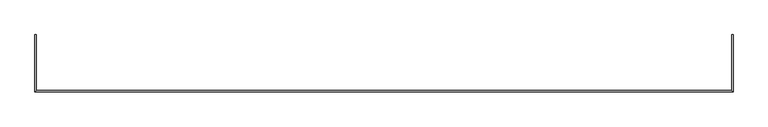
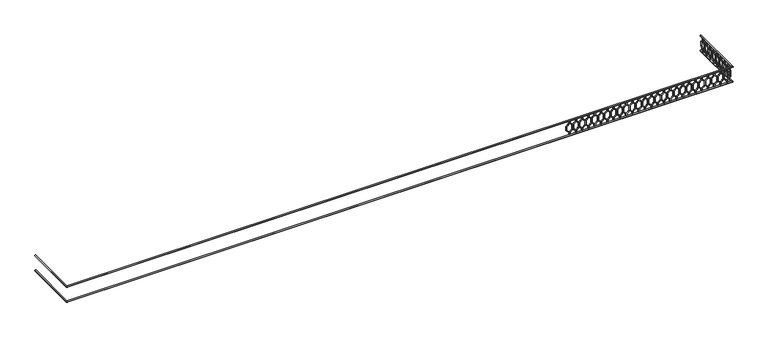
"""IFC4 building model written with IfcOpenShell, lengths in millimetres: railing geometry."""

from ifc_helpers import new_model, si_unit, frame, origin, place, context, project, spatial, polyline, circle_curve, ellipse_curve, outline, extrude, source, transform, mapped, element, save
from ifc_brep_helpers import plane_surface, cylinder_surface, advanced_brep


def railing_a289a73f(model_context):
    return source(origin(), model_context, "Body", "SolidModel", [
        advanced_brep(
        [(-41099.9887159, -15016.8920513, 28733.0), (-41139.9887159, -15016.8920513, 28733.0), (-41099.9887159, -16716.8920513, 28733.0), (-41139.9887159, -16756.8920513, 28733.0), (-19979.9887159, -16716.8920513, 28733.0), (-19939.9887159, -16756.8920513, 28733.0), (-19979.9887159, -15016.8920513, 28733.0), (-19939.9887159, -15016.8920513, 28733.0)],
        [
            (0, 1, circle_curve(frame((-41119.9887159, -15016.8920513, 28733.0), z_axis=(0.0, 1.0, 0.0), x_axis=(-1.0, 0.0, 0.0)), 20.0)),
            (1, 0, circle_curve(frame((-41119.9887159, -15016.8920513, 28733.0), z_axis=(0.0, 1.0, 0.0), x_axis=(-1.0, 0.0, 0.0)), 20.0)),
            (0, 2),
            (2, 3, ellipse_curve(frame((-41119.9887159, -16736.8920513, 28733.0), z_axis=(-0.7071067811865464, 0.7071067811865487, 0.0), x_axis=(0.7071067811865487, 0.7071067811865464, 0.0)), 28.2842712, 20.0)),
            (3, 1),
            (3, 2, ellipse_curve(frame((-41119.9887159, -16736.8920513, 28733.0), z_axis=(-0.7071067811865464, 0.7071067811865487, 0.0), x_axis=(0.7071067811865487, 0.7071067811865464, 0.0)), 28.2842712, 20.0)),
            (2, 4),
            (4, 5, ellipse_curve(frame((-19959.9887159, -16736.8920513, 28733.0), z_axis=(-0.7071067811865496, -0.7071067811865455, 0.0), x_axis=(-0.7071067811865455, 0.7071067811865496, 0.0)), 28.2842712, 20.0)),
            (5, 3),
            (5, 4, ellipse_curve(frame((-19959.9887159, -16736.8920513, 28733.0), z_axis=(-0.7071067811865496, -0.7071067811865455, 0.0), x_axis=(-0.7071067811865455, 0.7071067811865496, 0.0)), 28.2842712, 20.0)),
            (6, 7, circle_curve(frame((-19959.9887159, -15016.8920513, 28733.0), z_axis=(0.0, 1.0, 0.0), x_axis=(1.0, 0.0, 0.0)), 20.0)),
            (7, 6, circle_curve(frame((-19959.9887159, -15016.8920513, 28733.0), z_axis=(0.0, 1.0, 0.0), x_axis=(1.0, 0.0, 0.0)), 20.0)),
            (4, 6),
            (7, 5),
        ],
        [
            plane_surface(frame((-41119.9887159, -15016.8920513, 28753.0), z_axis=(0.0, 1.0, 0.0), x_axis=(0.0, 0.0, -1.0))),
            cylinder_surface(frame((-41119.9887159, -15016.8920513, 28733.0), z_axis=(0.0, 1.0, 0.0), x_axis=(-1.0, 0.0, 0.0)), 20.0),
            cylinder_surface(frame((-41119.9887159, -16736.8920513, 28733.0), z_axis=(-1.0, 0.0, 0.0), x_axis=(0.0, -1.0, 0.0)), 20.0),
            plane_surface(frame((-19959.9887159, -15016.8920513, 28753.0), z_axis=(0.0, 1.0, 0.0), x_axis=(0.0, 0.0, 1.0))),
            cylinder_surface(frame((-19959.9887159, -16736.8920513, 28733.0), z_axis=(0.0, -1.0, 0.0), x_axis=(1.0, 0.0, 0.0)), 20.0),
        ],
        [
            (0, [[1, 2]]),
            (1, [[-1, 3, 4, 5]]),
            (1, [[-2, -5, 6, -3]]),
            (2, [[-4, 7, 8, 9]]),
            (2, [[-6, -9, 10, -7]]),
            (3, [[11, 12]]),
            (4, [[-8, 13, -12, 14]]),
            (4, [[-10, -14, -11, -13]]),
        ],
    ),
        advanced_brep(
        [(-41099.9887159, -15016.8920513, 28233.0), (-41139.9887159, -15016.8920513, 28233.0), (-41099.9887159, -16716.8920513, 28233.0), (-41139.9887159, -16756.8920513, 28233.0), (-19979.9887159, -16716.8920513, 28233.0), (-19939.9887159, -16756.8920513, 28233.0), (-19979.9887159, -15016.8920513, 28233.0), (-19939.9887159, -15016.8920513, 28233.0)],
        [
            (0, 1, circle_curve(frame((-41119.9887159, -15016.8920513, 28233.0), z_axis=(0.0, 1.0, 0.0), x_axis=(-1.0, 0.0, 0.0)), 20.0)),
            (1, 0, circle_curve(frame((-41119.9887159, -15016.8920513, 28233.0), z_axis=(0.0, 1.0, 0.0), x_axis=(-1.0, 0.0, 0.0)), 20.0)),
            (0, 2),
            (2, 3, ellipse_curve(frame((-41119.9887159, -16736.8920513, 28233.0), z_axis=(-0.7071067811865464, 0.7071067811865487, 0.0), x_axis=(0.7071067811865487, 0.7071067811865464, 0.0)), 28.2842712, 20.0)),
            (3, 1),
            (3, 2, ellipse_curve(frame((-41119.9887159, -16736.8920513, 28233.0), z_axis=(-0.7071067811865464, 0.7071067811865487, 0.0), x_axis=(0.7071067811865487, 0.7071067811865464, 0.0)), 28.2842712, 20.0)),
            (2, 4),
            (4, 5, ellipse_curve(frame((-19959.9887159, -16736.8920513, 28233.0), z_axis=(-0.7071067811865496, -0.7071067811865455, 0.0), x_axis=(-0.7071067811865455, 0.7071067811865496, 0.0)), 28.2842712, 20.0)),
            (5, 3),
            (5, 4, ellipse_curve(frame((-19959.9887159, -16736.8920513, 28233.0), z_axis=(-0.7071067811865496, -0.7071067811865455, 0.0), x_axis=(-0.7071067811865455, 0.7071067811865496, 0.0)), 28.2842712, 20.0)),
            (6, 7, circle_curve(frame((-19959.9887159, -15016.8920513, 28233.0), z_axis=(0.0, 1.0, 0.0), x_axis=(1.0, 0.0, 0.0)), 20.0)),
            (7, 6, circle_curve(frame((-19959.9887159, -15016.8920513, 28233.0), z_axis=(0.0, 1.0, 0.0), x_axis=(1.0, 0.0, 0.0)), 20.0)),
            (4, 6),
            (7, 5),
        ],
        [
            plane_surface(frame((-41119.9887159, -15016.8920513, 28253.0), z_axis=(0.0, 1.0, 0.0), x_axis=(0.0, 0.0, -1.0))),
            cylinder_surface(frame((-41119.9887159, -15016.8920513, 28233.0), z_axis=(0.0, 1.0, 0.0), x_axis=(-1.0, 0.0, 0.0)), 20.0),
            cylinder_surface(frame((-41119.9887159, -16736.8920513, 28233.0), z_axis=(-1.0, 0.0, 0.0), x_axis=(0.0, -1.0, 0.0)), 20.0),
            plane_surface(frame((-19959.9887159, -15016.8920513, 28253.0), z_axis=(0.0, 1.0, 0.0), x_axis=(0.0, 0.0, 1.0))),
            cylinder_surface(frame((-19959.9887159, -16736.8920513, 28233.0), z_axis=(0.0, -1.0, 0.0), x_axis=(1.0, 0.0, 0.0)), 20.0),
        ],
        [
            (0, [[1, 2]]),
            (1, [[-1, 3, 4, 5]]),
            (1, [[-2, -5, 6, -3]]),
            (2, [[-4, 7, 8, 9]]),
            (2, [[-6, -9, 10, -7]]),
            (3, [[11, 12]]),
            (4, [[-8, 13, -12, 14]]),
            (4, [[-10, -14, -11, -13]]),
        ],
    ),
        extrude(outline(polyline([(-15141.8920513, 28713.0), (-15121.8920513, 28713.0), (-15121.8920513, 28633.0), (-15022.897102, 28553.0), (-15022.897102, 28413.0), (-15121.8920513, 28333.0), (-15121.8920513, 28253.0), (-15141.8920513, 28253.0), (-15141.8920513, 28342.551845), (-15042.897102, 28422.551845), (-15042.897102, 28543.448155), (-15141.8920513, 28623.448155), (-15141.8920513, 28713.0)])), frame((-19974.9887159, 0.0, 0.0), z_axis=(1.0, 0.0, 0.0), x_axis=(0.0, 1.0, 0.0)), (0.0, 0.0, 1.0), 20.0),
        extrude(outline(polyline([(-15141.8920513, 28713.0), (-15141.8920513, 28623.448155), (-15240.8870007, 28543.448155), (-15240.8870007, 28422.551845), (-15141.8920513, 28342.551845), (-15141.8920513, 28253.0), (-15161.8920513, 28253.0), (-15161.8920513, 28333.0), (-15260.8870007, 28413.0), (-15260.8870007, 28553.0), (-15161.8920513, 28633.0), (-15161.8920513, 28713.0), (-15141.8920513, 28713.0)])), frame((-19974.9887159, 0.0, 0.0), z_axis=(1.0, 0.0, 0.0), x_axis=(0.0, 1.0, 0.0)), (0.0, 0.0, 1.0), 20.0),
        extrude(outline(polyline([(-15341.8920513, 28713.0), (-15321.8920513, 28713.0), (-15321.8920513, 28633.0), (-15222.897102, 28553.0), (-15222.897102, 28413.0), (-15321.8920513, 28333.0), (-15321.8920513, 28253.0), (-15341.8920513, 28253.0), (-15341.8920513, 28342.551845), (-15242.897102, 28422.551845), (-15242.897102, 28543.448155), (-15341.8920513, 28623.448155), (-15341.8920513, 28713.0)])), frame((-19974.9887159, 0.0, 0.0), z_axis=(1.0, 0.0, 0.0), x_axis=(0.0, 1.0, 0.0)), (0.0, 0.0, 1.0), 20.0),
        extrude(outline(polyline([(-15341.8920513, 28713.0), (-15341.8920513, 28623.448155), (-15440.8870007, 28543.448155), (-15440.8870007, 28422.551845), (-15341.8920513, 28342.551845), (-15341.8920513, 28253.0), (-15361.8920513, 28253.0), (-15361.8920513, 28333.0), (-15460.8870007, 28413.0), (-15460.8870007, 28553.0), (-15361.8920513, 28633.0), (-15361.8920513, 28713.0), (-15341.8920513, 28713.0)])), frame((-19974.9887159, 0.0, 0.0), z_axis=(1.0, 0.0, 0.0), x_axis=(0.0, 1.0, 0.0)), (0.0, 0.0, 1.0), 20.0),
        extrude(outline(polyline([(-15541.8920513, 28713.0), (-15521.8920513, 28713.0), (-15521.8920513, 28633.0), (-15422.897102, 28553.0), (-15422.897102, 28413.0), (-15521.8920513, 28333.0), (-15521.8920513, 28253.0), (-15541.8920513, 28253.0), (-15541.8920513, 28342.551845), (-15442.897102, 28422.551845), (-15442.897102, 28543.448155), (-15541.8920513, 28623.448155), (-15541.8920513, 28713.0)])), frame((-19974.9887159, 0.0, 0.0), z_axis=(1.0, 0.0, 0.0), x_axis=(0.0, 1.0, 0.0)), (0.0, 0.0, 1.0), 20.0),
        extrude(outline(polyline([(-15541.8920513, 28713.0), (-15541.8920513, 28623.448155), (-15640.8870007, 28543.448155), (-15640.8870007, 28422.551845), (-15541.8920513, 28342.551845), (-15541.8920513, 28253.0), (-15561.8920513, 28253.0), (-15561.8920513, 28333.0), (-15660.8870007, 28413.0), (-15660.8870007, 28553.0), (-15561.8920513, 28633.0), (-15561.8920513, 28713.0), (-15541.8920513, 28713.0)])), frame((-19974.9887159, 0.0, 0.0), z_axis=(1.0, 0.0, 0.0), x_axis=(0.0, 1.0, 0.0)), (0.0, 0.0, 1.0), 20.0),
        extrude(outline(polyline([(-15741.8920513, 28713.0), (-15721.8920513, 28713.0), (-15721.8920513, 28633.0), (-15622.897102, 28553.0), (-15622.897102, 28413.0), (-15721.8920513, 28333.0), (-15721.8920513, 28253.0), (-15741.8920513, 28253.0), (-15741.8920513, 28342.551845), (-15642.897102, 28422.551845), (-15642.897102, 28543.448155), (-15741.8920513, 28623.448155), (-15741.8920513, 28713.0)])), frame((-19974.9887159, 0.0, 0.0), z_axis=(1.0, 0.0, 0.0), x_axis=(0.0, 1.0, 0.0)), (0.0, 0.0, 1.0), 20.0),
        extrude(outline(polyline([(-15741.8920513, 28713.0), (-15741.8920513, 28623.448155), (-15840.8870007, 28543.448155), (-15840.8870007, 28422.551845), (-15741.8920513, 28342.551845), (-15741.8920513, 28253.0), (-15761.8920513, 28253.0), (-15761.8920513, 28333.0), (-15860.8870007, 28413.0), (-15860.8870007, 28553.0), (-15761.8920513, 28633.0), (-15761.8920513, 28713.0), (-15741.8920513, 28713.0)])), frame((-19974.9887159, 0.0, 0.0), z_axis=(1.0, 0.0, 0.0), x_axis=(0.0, 1.0, 0.0)), (0.0, 0.0, 1.0), 20.0),
        extrude(outline(polyline([(-15941.8920513, 28713.0), (-15921.8920513, 28713.0), (-15921.8920513, 28633.0), (-15822.897102, 28553.0), (-15822.897102, 28413.0), (-15921.8920513, 28333.0), (-15921.8920513, 28253.0), (-15941.8920513, 28253.0), (-15941.8920513, 28342.551845), (-15842.897102, 28422.551845), (-15842.897102, 28543.448155), (-15941.8920513, 28623.448155), (-15941.8920513, 28713.0)])), frame((-19974.9887159, 0.0, 0.0), z_axis=(1.0, 0.0, 0.0), x_axis=(0.0, 1.0, 0.0)), (0.0, 0.0, 1.0), 20.0),
        extrude(outline(polyline([(-15941.8920513, 28713.0), (-15941.8920513, 28623.448155), (-16040.8870007, 28543.448155), (-16040.8870007, 28422.551845), (-15941.8920513, 28342.551845), (-15941.8920513, 28253.0), (-15961.8920513, 28253.0), (-15961.8920513, 28333.0), (-16060.8870007, 28413.0), (-16060.8870007, 28553.0), (-15961.8920513, 28633.0), (-15961.8920513, 28713.0), (-15941.8920513, 28713.0)])), frame((-19974.9887159, 0.0, 0.0), z_axis=(1.0, 0.0, 0.0), x_axis=(0.0, 1.0, 0.0)), (0.0, 0.0, 1.0), 20.0),
        extrude(outline(polyline([(-16141.8920513, 28713.0), (-16121.8920513, 28713.0), (-16121.8920513, 28633.0), (-16022.897102, 28553.0), (-16022.897102, 28413.0), (-16121.8920513, 28333.0), (-16121.8920513, 28253.0), (-16141.8920513, 28253.0), (-16141.8920513, 28342.551845), (-16042.897102, 28422.551845), (-16042.897102, 28543.448155), (-16141.8920513, 28623.448155), (-16141.8920513, 28713.0)])), frame((-19974.9887159, 0.0, 0.0), z_axis=(1.0, 0.0, 0.0), x_axis=(0.0, 1.0, 0.0)), (0.0, 0.0, 1.0), 20.0),
        extrude(outline(polyline([(-16141.8920513, 28713.0), (-16141.8920513, 28623.448155), (-16240.8870007, 28543.448155), (-16240.8870007, 28422.551845), (-16141.8920513, 28342.551845), (-16141.8920513, 28253.0), (-16161.8920513, 28253.0), (-16161.8920513, 28333.0), (-16260.8870007, 28413.0), (-16260.8870007, 28553.0), (-16161.8920513, 28633.0), (-16161.8920513, 28713.0), (-16141.8920513, 28713.0)])), frame((-19974.9887159, 0.0, 0.0), z_axis=(1.0, 0.0, 0.0), x_axis=(0.0, 1.0, 0.0)), (0.0, 0.0, 1.0), 20.0),
        extrude(outline(polyline([(-16341.8920513, 28713.0), (-16321.8920513, 28713.0), (-16321.8920513, 28633.0), (-16222.897102, 28553.0), (-16222.897102, 28413.0), (-16321.8920513, 28333.0), (-16321.8920513, 28253.0), (-16341.8920513, 28253.0), (-16341.8920513, 28342.551845), (-16242.897102, 28422.551845), (-16242.897102, 28543.448155), (-16341.8920513, 28623.448155), (-16341.8920513, 28713.0)])), frame((-19974.9887159, 0.0, 0.0), z_axis=(1.0, 0.0, 0.0), x_axis=(0.0, 1.0, 0.0)), (0.0, 0.0, 1.0), 20.0),
        extrude(outline(polyline([(-16341.8920513, 28713.0), (-16341.8920513, 28623.448155), (-16440.8870007, 28543.448155), (-16440.8870007, 28422.551845), (-16341.8920513, 28342.551845), (-16341.8920513, 28253.0), (-16361.8920513, 28253.0), (-16361.8920513, 28333.0), (-16460.8870007, 28413.0), (-16460.8870007, 28553.0), (-16361.8920513, 28633.0), (-16361.8920513, 28713.0), (-16341.8920513, 28713.0)])), frame((-19974.9887159, 0.0, 0.0), z_axis=(1.0, 0.0, 0.0), x_axis=(0.0, 1.0, 0.0)), (0.0, 0.0, 1.0), 20.0),
        extrude(outline(polyline([(-16541.8920513, 28713.0), (-16521.8920513, 28713.0), (-16521.8920513, 28633.0), (-16422.897102, 28553.0), (-16422.897102, 28413.0), (-16521.8920513, 28333.0), (-16521.8920513, 28253.0), (-16541.8920513, 28253.0), (-16541.8920513, 28342.551845), (-16442.897102, 28422.551845), (-16442.897102, 28543.448155), (-16541.8920513, 28623.448155), (-16541.8920513, 28713.0)])), frame((-19974.9887159, 0.0, 0.0), z_axis=(1.0, 0.0, 0.0), x_axis=(0.0, 1.0, 0.0)), (0.0, 0.0, 1.0), 20.0),
        extrude(outline(polyline([(-16541.8920513, 28713.0), (-16541.8920513, 28623.448155), (-16640.8870007, 28543.448155), (-16640.8870007, 28422.551845), (-16541.8920513, 28342.551845), (-16541.8920513, 28253.0), (-16561.8920513, 28253.0), (-16561.8920513, 28333.0), (-16660.8870007, 28413.0), (-16660.8870007, 28553.0), (-16561.8920513, 28633.0), (-16561.8920513, 28713.0), (-16541.8920513, 28713.0)])), frame((-19974.9887159, 0.0, 0.0), z_axis=(1.0, 0.0, 0.0), x_axis=(0.0, 1.0, 0.0)), (0.0, 0.0, 1.0), 20.0),
        extrude(outline(polyline([(28713.0, -20124.9887159), (28623.448155, -20124.9887159), (28543.448155, -20025.9937665), (28422.551845, -20025.9937665), (28342.551845, -20124.9887159), (28253.0, -20124.9887159), (28253.0, -20104.9887159), (28333.0, -20104.9887159), (28413.0, -20005.9937665), (28553.0, -20005.9937665), (28633.0, -20104.9887159), (28713.0, -20104.9887159), (28713.0, -20124.9887159)])), frame((0.0, -16741.8920513, 0.0), z_axis=(0.0, 1.0, 0.0), x_axis=(0.0, 0.0, 1.0)), (0.0, 0.0, 1.0), 20.0),
        extrude(outline(polyline([(28713.0, -20124.9887159), (28713.0, -20144.9887159), (28633.0, -20144.9887159), (28553.0, -20243.9836653), (28413.0, -20243.9836653), (28333.0, -20144.9887159), (28253.0, -20144.9887159), (28253.0, -20124.9887159), (28342.551845, -20124.9887159), (28422.551845, -20223.9836653), (28543.448155, -20223.9836653), (28623.448155, -20124.9887159), (28713.0, -20124.9887159)])), frame((0.0, -16741.8920513, 0.0), z_axis=(0.0, 1.0, 0.0), x_axis=(0.0, 0.0, 1.0)), (0.0, 0.0, 1.0), 20.0),
        extrude(outline(polyline([(28713.0, -20324.9887159), (28623.448155, -20324.9887159), (28543.448155, -20225.9937665), (28422.551845, -20225.9937665), (28342.551845, -20324.9887159), (28253.0, -20324.9887159), (28253.0, -20304.9887159), (28333.0, -20304.9887159), (28413.0, -20205.9937665), (28553.0, -20205.9937665), (28633.0, -20304.9887159), (28713.0, -20304.9887159), (28713.0, -20324.9887159)])), frame((0.0, -16741.8920513, 0.0), z_axis=(0.0, 1.0, 0.0), x_axis=(0.0, 0.0, 1.0)), (0.0, 0.0, 1.0), 20.0),
        extrude(outline(polyline([(28713.0, -20324.9887159), (28713.0, -20344.9887159), (28633.0, -20344.9887159), (28553.0, -20443.9836653), (28413.0, -20443.9836653), (28333.0, -20344.9887159), (28253.0, -20344.9887159), (28253.0, -20324.9887159), (28342.551845, -20324.9887159), (28422.551845, -20423.9836653), (28543.448155, -20423.9836653), (28623.448155, -20324.9887159), (28713.0, -20324.9887159)])), frame((0.0, -16741.8920513, 0.0), z_axis=(0.0, 1.0, 0.0), x_axis=(0.0, 0.0, 1.0)), (0.0, 0.0, 1.0), 20.0),
        extrude(outline(polyline([(28713.0, -20524.9887159), (28623.448155, -20524.9887159), (28543.448155, -20425.9937665), (28422.551845, -20425.9937665), (28342.551845, -20524.9887159), (28253.0, -20524.9887159), (28253.0, -20504.9887159), (28333.0, -20504.9887159), (28413.0, -20405.9937665), (28553.0, -20405.9937665), (28633.0, -20504.9887159), (28713.0, -20504.9887159), (28713.0, -20524.9887159)])), frame((0.0, -16741.8920513, 0.0), z_axis=(0.0, 1.0, 0.0), x_axis=(0.0, 0.0, 1.0)), (0.0, 0.0, 1.0), 20.0),
        extrude(outline(polyline([(28713.0, -20524.9887159), (28713.0, -20544.9887159), (28633.0, -20544.9887159), (28553.0, -20643.9836653), (28413.0, -20643.9836653), (28333.0, -20544.9887159), (28253.0, -20544.9887159), (28253.0, -20524.9887159), (28342.551845, -20524.9887159), (28422.551845, -20623.9836653), (28543.448155, -20623.9836653), (28623.448155, -20524.9887159), (28713.0, -20524.9887159)])), frame((0.0, -16741.8920513, 0.0), z_axis=(0.0, 1.0, 0.0), x_axis=(0.0, 0.0, 1.0)), (0.0, 0.0, 1.0), 20.0),
        extrude(outline(polyline([(28713.0, -20724.9887159), (28623.448155, -20724.9887159), (28543.448155, -20625.9937665), (28422.551845, -20625.9937665), (28342.551845, -20724.9887159), (28253.0, -20724.9887159), (28253.0, -20704.9887159), (28333.0, -20704.9887159), (28413.0, -20605.9937665), (28553.0, -20605.9937665), (28633.0, -20704.9887159), (28713.0, -20704.9887159), (28713.0, -20724.9887159)])), frame((0.0, -16741.8920513, 0.0), z_axis=(0.0, 1.0, 0.0), x_axis=(0.0, 0.0, 1.0)), (0.0, 0.0, 1.0), 20.0),
        extrude(outline(polyline([(28713.0, -20724.9887159), (28713.0, -20744.9887159), (28633.0, -20744.9887159), (28553.0, -20843.9836653), (28413.0, -20843.9836653), (28333.0, -20744.9887159), (28253.0, -20744.9887159), (28253.0, -20724.9887159), (28342.551845, -20724.9887159), (28422.551845, -20823.9836653), (28543.448155, -20823.9836653), (28623.448155, -20724.9887159), (28713.0, -20724.9887159)])), frame((0.0, -16741.8920513, 0.0), z_axis=(0.0, 1.0, 0.0), x_axis=(0.0, 0.0, 1.0)), (0.0, 0.0, 1.0), 20.0),
        extrude(outline(polyline([(28713.0, -20924.9887159), (28623.448155, -20924.9887159), (28543.448155, -20825.9937665), (28422.551845, -20825.9937665), (28342.551845, -20924.9887159), (28253.0, -20924.9887159), (28253.0, -20904.9887159), (28333.0, -20904.9887159), (28413.0, -20805.9937665), (28553.0, -20805.9937665), (28633.0, -20904.9887159), (28713.0, -20904.9887159), (28713.0, -20924.9887159)])), frame((0.0, -16741.8920513, 0.0), z_axis=(0.0, 1.0, 0.0), x_axis=(0.0, 0.0, 1.0)), (0.0, 0.0, 1.0), 20.0),
        extrude(outline(polyline([(28713.0, -20924.9887159), (28713.0, -20944.9887159), (28633.0, -20944.9887159), (28553.0, -21043.9836653), (28413.0, -21043.9836653), (28333.0, -20944.9887159), (28253.0, -20944.9887159), (28253.0, -20924.9887159), (28342.551845, -20924.9887159), (28422.551845, -21023.9836653), (28543.448155, -21023.9836653), (28623.448155, -20924.9887159), (28713.0, -20924.9887159)])), frame((0.0, -16741.8920513, 0.0), z_axis=(0.0, 1.0, 0.0), x_axis=(0.0, 0.0, 1.0)), (0.0, 0.0, 1.0), 20.0),
        extrude(outline(polyline([(28713.0, -21124.9887159), (28623.448155, -21124.9887159), (28543.448155, -21025.9937665), (28422.551845, -21025.9937665), (28342.551845, -21124.9887159), (28253.0, -21124.9887159), (28253.0, -21104.9887159), (28333.0, -21104.9887159), (28413.0, -21005.9937665), (28553.0, -21005.9937665), (28633.0, -21104.9887159), (28713.0, -21104.9887159), (28713.0, -21124.9887159)])), frame((0.0, -16741.8920513, 0.0), z_axis=(0.0, 1.0, 0.0), x_axis=(0.0, 0.0, 1.0)), (0.0, 0.0, 1.0), 20.0),
        extrude(outline(polyline([(28713.0, -21124.9887159), (28713.0, -21144.9887159), (28633.0, -21144.9887159), (28553.0, -21243.9836653), (28413.0, -21243.9836653), (28333.0, -21144.9887159), (28253.0, -21144.9887159), (28253.0, -21124.9887159), (28342.551845, -21124.9887159), (28422.551845, -21223.9836653), (28543.448155, -21223.9836653), (28623.448155, -21124.9887159), (28713.0, -21124.9887159)])), frame((0.0, -16741.8920513, 0.0), z_axis=(0.0, 1.0, 0.0), x_axis=(0.0, 0.0, 1.0)), (0.0, 0.0, 1.0), 20.0),
        extrude(outline(polyline([(28713.0, -21324.9887159), (28623.448155, -21324.9887159), (28543.448155, -21225.9937665), (28422.551845, -21225.9937665), (28342.551845, -21324.9887159), (28253.0, -21324.9887159), (28253.0, -21304.9887159), (28333.0, -21304.9887159), (28413.0, -21205.9937665), (28553.0, -21205.9937665), (28633.0, -21304.9887159), (28713.0, -21304.9887159), (28713.0, -21324.9887159)])), frame((0.0, -16741.8920513, 0.0), z_axis=(0.0, 1.0, 0.0), x_axis=(0.0, 0.0, 1.0)), (0.0, 0.0, 1.0), 20.0),
        extrude(outline(polyline([(28713.0, -21324.9887159), (28713.0, -21344.9887159), (28633.0, -21344.9887159), (28553.0, -21443.9836653), (28413.0, -21443.9836653), (28333.0, -21344.9887159), (28253.0, -21344.9887159), (28253.0, -21324.9887159), (28342.551845, -21324.9887159), (28422.551845, -21423.9836653), (28543.448155, -21423.9836653), (28623.448155, -21324.9887159), (28713.0, -21324.9887159)])), frame((0.0, -16741.8920513, 0.0), z_axis=(0.0, 1.0, 0.0), x_axis=(0.0, 0.0, 1.0)), (0.0, 0.0, 1.0), 20.0),
        extrude(outline(polyline([(28713.0, -21524.9887159), (28623.448155, -21524.9887159), (28543.448155, -21425.9937665), (28422.551845, -21425.9937665), (28342.551845, -21524.9887159), (28253.0, -21524.9887159), (28253.0, -21504.9887159), (28333.0, -21504.9887159), (28413.0, -21405.9937665), (28553.0, -21405.9937665), (28633.0, -21504.9887159), (28713.0, -21504.9887159), (28713.0, -21524.9887159)])), frame((0.0, -16741.8920513, 0.0), z_axis=(0.0, 1.0, 0.0), x_axis=(0.0, 0.0, 1.0)), (0.0, 0.0, 1.0), 20.0),
        extrude(outline(polyline([(28713.0, -21524.9887159), (28713.0, -21544.9887159), (28633.0, -21544.9887159), (28553.0, -21643.9836653), (28413.0, -21643.9836653), (28333.0, -21544.9887159), (28253.0, -21544.9887159), (28253.0, -21524.9887159), (28342.551845, -21524.9887159), (28422.551845, -21623.9836653), (28543.448155, -21623.9836653), (28623.448155, -21524.9887159), (28713.0, -21524.9887159)])), frame((0.0, -16741.8920513, 0.0), z_axis=(0.0, 1.0, 0.0), x_axis=(0.0, 0.0, 1.0)), (0.0, 0.0, 1.0), 20.0),
        extrude(outline(polyline([(28713.0, -21724.9887159), (28623.448155, -21724.9887159), (28543.448155, -21625.9937665), (28422.551845, -21625.9937665), (28342.551845, -21724.9887159), (28253.0, -21724.9887159), (28253.0, -21704.9887159), (28333.0, -21704.9887159), (28413.0, -21605.9937665), (28553.0, -21605.9937665), (28633.0, -21704.9887159), (28713.0, -21704.9887159), (28713.0, -21724.9887159)])), frame((0.0, -16741.8920513, 0.0), z_axis=(0.0, 1.0, 0.0), x_axis=(0.0, 0.0, 1.0)), (0.0, 0.0, 1.0), 20.0),
        extrude(outline(polyline([(28713.0, -21724.9887159), (28713.0, -21744.9887159), (28633.0, -21744.9887159), (28553.0, -21843.9836653), (28413.0, -21843.9836653), (28333.0, -21744.9887159), (28253.0, -21744.9887159), (28253.0, -21724.9887159), (28342.551845, -21724.9887159), (28422.551845, -21823.9836653), (28543.448155, -21823.9836653), (28623.448155, -21724.9887159), (28713.0, -21724.9887159)])), frame((0.0, -16741.8920513, 0.0), z_axis=(0.0, 1.0, 0.0), x_axis=(0.0, 0.0, 1.0)), (0.0, 0.0, 1.0), 20.0),
        extrude(outline(polyline([(28713.0, -21924.9887159), (28623.448155, -21924.9887159), (28543.448155, -21825.9937665), (28422.551845, -21825.9937665), (28342.551845, -21924.9887159), (28253.0, -21924.9887159), (28253.0, -21904.9887159), (28333.0, -21904.9887159), (28413.0, -21805.9937665), (28553.0, -21805.9937665), (28633.0, -21904.9887159), (28713.0, -21904.9887159), (28713.0, -21924.9887159)])), frame((0.0, -16741.8920513, 0.0), z_axis=(0.0, 1.0, 0.0), x_axis=(0.0, 0.0, 1.0)), (0.0, 0.0, 1.0), 20.0),
        extrude(outline(polyline([(28713.0, -21924.9887159), (28713.0, -21944.9887159), (28633.0, -21944.9887159), (28553.0, -22043.9836653), (28413.0, -22043.9836653), (28333.0, -21944.9887159), (28253.0, -21944.9887159), (28253.0, -21924.9887159), (28342.551845, -21924.9887159), (28422.551845, -22023.9836653), (28543.448155, -22023.9836653), (28623.448155, -21924.9887159), (28713.0, -21924.9887159)])), frame((0.0, -16741.8920513, 0.0), z_axis=(0.0, 1.0, 0.0), x_axis=(0.0, 0.0, 1.0)), (0.0, 0.0, 1.0), 20.0),
        extrude(outline(polyline([(28713.0, -22124.9887159), (28623.448155, -22124.9887159), (28543.448155, -22025.9937665), (28422.551845, -22025.9937665), (28342.551845, -22124.9887159), (28253.0, -22124.9887159), (28253.0, -22104.9887159), (28333.0, -22104.9887159), (28413.0, -22005.9937665), (28553.0, -22005.9937665), (28633.0, -22104.9887159), (28713.0, -22104.9887159), (28713.0, -22124.9887159)])), frame((0.0, -16741.8920513, 0.0), z_axis=(0.0, 1.0, 0.0), x_axis=(0.0, 0.0, 1.0)), (0.0, 0.0, 1.0), 20.0),
        extrude(outline(polyline([(28713.0, -22124.9887159), (28713.0, -22144.9887159), (28633.0, -22144.9887159), (28553.0, -22243.9836653), (28413.0, -22243.9836653), (28333.0, -22144.9887159), (28253.0, -22144.9887159), (28253.0, -22124.9887159), (28342.551845, -22124.9887159), (28422.551845, -22223.9836653), (28543.448155, -22223.9836653), (28623.448155, -22124.9887159), (28713.0, -22124.9887159)])), frame((0.0, -16741.8920513, 0.0), z_axis=(0.0, 1.0, 0.0), x_axis=(0.0, 0.0, 1.0)), (0.0, 0.0, 1.0), 20.0),
        extrude(outline(polyline([(28713.0, -22324.9887159), (28623.448155, -22324.9887159), (28543.448155, -22225.9937665), (28422.551845, -22225.9937665), (28342.551845, -22324.9887159), (28253.0, -22324.9887159), (28253.0, -22304.9887159), (28333.0, -22304.9887159), (28413.0, -22205.9937665), (28553.0, -22205.9937665), (28633.0, -22304.9887159), (28713.0, -22304.9887159), (28713.0, -22324.9887159)])), frame((0.0, -16741.8920513, 0.0), z_axis=(0.0, 1.0, 0.0), x_axis=(0.0, 0.0, 1.0)), (0.0, 0.0, 1.0), 20.0),
        extrude(outline(polyline([(28713.0, -22324.9887159), (28713.0, -22344.9887159), (28633.0, -22344.9887159), (28553.0, -22443.9836653), (28413.0, -22443.9836653), (28333.0, -22344.9887159), (28253.0, -22344.9887159), (28253.0, -22324.9887159), (28342.551845, -22324.9887159), (28422.551845, -22423.9836653), (28543.448155, -22423.9836653), (28623.448155, -22324.9887159), (28713.0, -22324.9887159)])), frame((0.0, -16741.8920513, 0.0), z_axis=(0.0, 1.0, 0.0), x_axis=(0.0, 0.0, 1.0)), (0.0, 0.0, 1.0), 20.0),
        extrude(outline(polyline([(28713.0, -22524.9887159), (28623.448155, -22524.9887159), (28543.448155, -22425.9937665), (28422.551845, -22425.9937665), (28342.551845, -22524.9887159), (28253.0, -22524.9887159), (28253.0, -22504.9887159), (28333.0, -22504.9887159), (28413.0, -22405.9937665), (28553.0, -22405.9937665), (28633.0, -22504.9887159), (28713.0, -22504.9887159), (28713.0, -22524.9887159)])), frame((0.0, -16741.8920513, 0.0), z_axis=(0.0, 1.0, 0.0), x_axis=(0.0, 0.0, 1.0)), (0.0, 0.0, 1.0), 20.0),
        extrude(outline(polyline([(28713.0, -22524.9887159), (28713.0, -22544.9887159), (28633.0, -22544.9887159), (28553.0, -22643.9836653), (28413.0, -22643.9836653), (28333.0, -22544.9887159), (28253.0, -22544.9887159), (28253.0, -22524.9887159), (28342.551845, -22524.9887159), (28422.551845, -22623.9836653), (28543.448155, -22623.9836653), (28623.448155, -22524.9887159), (28713.0, -22524.9887159)])), frame((0.0, -16741.8920513, 0.0), z_axis=(0.0, 1.0, 0.0), x_axis=(0.0, 0.0, 1.0)), (0.0, 0.0, 1.0), 20.0),
        extrude(outline(polyline([(28713.0, -22724.9887159), (28623.448155, -22724.9887159), (28543.448155, -22625.9937665), (28422.551845, -22625.9937665), (28342.551845, -22724.9887159), (28253.0, -22724.9887159), (28253.0, -22704.9887159), (28333.0, -22704.9887159), (28413.0, -22605.9937665), (28553.0, -22605.9937665), (28633.0, -22704.9887159), (28713.0, -22704.9887159), (28713.0, -22724.9887159)])), frame((0.0, -16741.8920513, 0.0), z_axis=(0.0, 1.0, 0.0), x_axis=(0.0, 0.0, 1.0)), (0.0, 0.0, 1.0), 20.0),
        extrude(outline(polyline([(28713.0, -22724.9887159), (28713.0, -22744.9887159), (28633.0, -22744.9887159), (28553.0, -22843.9836653), (28413.0, -22843.9836653), (28333.0, -22744.9887159), (28253.0, -22744.9887159), (28253.0, -22724.9887159), (28342.551845, -22724.9887159), (28422.551845, -22823.9836653), (28543.448155, -22823.9836653), (28623.448155, -22724.9887159), (28713.0, -22724.9887159)])), frame((0.0, -16741.8920513, 0.0), z_axis=(0.0, 1.0, 0.0), x_axis=(0.0, 0.0, 1.0)), (0.0, 0.0, 1.0), 20.0),
        extrude(outline(polyline([(28713.0, -22924.9887159), (28623.448155, -22924.9887159), (28543.448155, -22825.9937665), (28422.551845, -22825.9937665), (28342.551845, -22924.9887159), (28253.0, -22924.9887159), (28253.0, -22904.9887159), (28333.0, -22904.9887159), (28413.0, -22805.9937665), (28553.0, -22805.9937665), (28633.0, -22904.9887159), (28713.0, -22904.9887159), (28713.0, -22924.9887159)])), frame((0.0, -16741.8920513, 0.0), z_axis=(0.0, 1.0, 0.0), x_axis=(0.0, 0.0, 1.0)), (0.0, 0.0, 1.0), 20.0),
        extrude(outline(polyline([(28713.0, -22924.9887159), (28713.0, -22944.9887159), (28633.0, -22944.9887159), (28553.0, -23043.9836653), (28413.0, -23043.9836653), (28333.0, -22944.9887159), (28253.0, -22944.9887159), (28253.0, -22924.9887159), (28342.551845, -22924.9887159), (28422.551845, -23023.9836653), (28543.448155, -23023.9836653), (28623.448155, -22924.9887159), (28713.0, -22924.9887159)])), frame((0.0, -16741.8920513, 0.0), z_axis=(0.0, 1.0, 0.0), x_axis=(0.0, 0.0, 1.0)), (0.0, 0.0, 1.0), 20.0),
        extrude(outline(polyline([(28713.0, -23124.9887159), (28623.448155, -23124.9887159), (28543.448155, -23025.9937665), (28422.551845, -23025.9937665), (28342.551845, -23124.9887159), (28253.0, -23124.9887159), (28253.0, -23104.9887159), (28333.0, -23104.9887159), (28413.0, -23005.9937665), (28553.0, -23005.9937665), (28633.0, -23104.9887159), (28713.0, -23104.9887159), (28713.0, -23124.9887159)])), frame((0.0, -16741.8920513, 0.0), z_axis=(0.0, 1.0, 0.0), x_axis=(0.0, 0.0, 1.0)), (0.0, 0.0, 1.0), 20.0),
        extrude(outline(polyline([(28713.0, -23124.9887159), (28713.0, -23144.9887159), (28633.0, -23144.9887159), (28553.0, -23243.9836653), (28413.0, -23243.9836653), (28333.0, -23144.9887159), (28253.0, -23144.9887159), (28253.0, -23124.9887159), (28342.551845, -23124.9887159), (28422.551845, -23223.9836653), (28543.448155, -23223.9836653), (28623.448155, -23124.9887159), (28713.0, -23124.9887159)])), frame((0.0, -16741.8920513, 0.0), z_axis=(0.0, 1.0, 0.0), x_axis=(0.0, 0.0, 1.0)), (0.0, 0.0, 1.0), 20.0),
        extrude(outline(polyline([(28713.0, -23324.9887159), (28623.448155, -23324.9887159), (28543.448155, -23225.9937665), (28422.551845, -23225.9937665), (28342.551845, -23324.9887159), (28253.0, -23324.9887159), (28253.0, -23304.9887159), (28333.0, -23304.9887159), (28413.0, -23205.9937665), (28553.0, -23205.9937665), (28633.0, -23304.9887159), (28713.0, -23304.9887159), (28713.0, -23324.9887159)])), frame((0.0, -16741.8920513, 0.0), z_axis=(0.0, 1.0, 0.0), x_axis=(0.0, 0.0, 1.0)), (0.0, 0.0, 1.0), 20.0),
        extrude(outline(polyline([(28713.0, -23324.9887159), (28713.0, -23344.9887159), (28633.0, -23344.9887159), (28553.0, -23443.9836653), (28413.0, -23443.9836653), (28333.0, -23344.9887159), (28253.0, -23344.9887159), (28253.0, -23324.9887159), (28342.551845, -23324.9887159), (28422.551845, -23423.9836653), (28543.448155, -23423.9836653), (28623.448155, -23324.9887159), (28713.0, -23324.9887159)])), frame((0.0, -16741.8920513, 0.0), z_axis=(0.0, 1.0, 0.0), x_axis=(0.0, 0.0, 1.0)), (0.0, 0.0, 1.0), 20.0),
        extrude(outline(polyline([(28713.0, -23524.9887159), (28623.448155, -23524.9887159), (28543.448155, -23425.9937665), (28422.551845, -23425.9937665), (28342.551845, -23524.9887159), (28253.0, -23524.9887159), (28253.0, -23504.9887159), (28333.0, -23504.9887159), (28413.0, -23405.9937665), (28553.0, -23405.9937665), (28633.0, -23504.9887159), (28713.0, -23504.9887159), (28713.0, -23524.9887159)])), frame((0.0, -16741.8920513, 0.0), z_axis=(0.0, 1.0, 0.0), x_axis=(0.0, 0.0, 1.0)), (0.0, 0.0, 1.0), 20.0),
        extrude(outline(polyline([(28713.0, -23524.9887159), (28713.0, -23544.9887159), (28633.0, -23544.9887159), (28553.0, -23643.9836653), (28413.0, -23643.9836653), (28333.0, -23544.9887159), (28253.0, -23544.9887159), (28253.0, -23524.9887159), (28342.551845, -23524.9887159), (28422.551845, -23623.9836653), (28543.448155, -23623.9836653), (28623.448155, -23524.9887159), (28713.0, -23524.9887159)])), frame((0.0, -16741.8920513, 0.0), z_axis=(0.0, 1.0, 0.0), x_axis=(0.0, 0.0, 1.0)), (0.0, 0.0, 1.0), 20.0),
        extrude(outline(polyline([(28713.0, -23724.9887159), (28623.448155, -23724.9887159), (28543.448155, -23625.9937665), (28422.551845, -23625.9937665), (28342.551845, -23724.9887159), (28253.0, -23724.9887159), (28253.0, -23704.9887159), (28333.0, -23704.9887159), (28413.0, -23605.9937665), (28553.0, -23605.9937665), (28633.0, -23704.9887159), (28713.0, -23704.9887159), (28713.0, -23724.9887159)])), frame((0.0, -16741.8920513, 0.0), z_axis=(0.0, 1.0, 0.0), x_axis=(0.0, 0.0, 1.0)), (0.0, 0.0, 1.0), 20.0),
        extrude(outline(polyline([(28713.0, -23724.9887159), (28713.0, -23744.9887159), (28633.0, -23744.9887159), (28553.0, -23843.9836653), (28413.0, -23843.9836653), (28333.0, -23744.9887159), (28253.0, -23744.9887159), (28253.0, -23724.9887159), (28342.551845, -23724.9887159), (28422.551845, -23823.9836653), (28543.448155, -23823.9836653), (28623.448155, -23724.9887159), (28713.0, -23724.9887159)])), frame((0.0, -16741.8920513, 0.0), z_axis=(0.0, 1.0, 0.0), x_axis=(0.0, 0.0, 1.0)), (0.0, 0.0, 1.0), 20.0),
        extrude(outline(polyline([(28713.0, -23924.9887159), (28623.448155, -23924.9887159), (28543.448155, -23825.9937665), (28422.551845, -23825.9937665), (28342.551845, -23924.9887159), (28253.0, -23924.9887159), (28253.0, -23904.9887159), (28333.0, -23904.9887159), (28413.0, -23805.9937665), (28553.0, -23805.9937665), (28633.0, -23904.9887159), (28713.0, -23904.9887159), (28713.0, -23924.9887159)])), frame((0.0, -16741.8920513, 0.0), z_axis=(0.0, 1.0, 0.0), x_axis=(0.0, 0.0, 1.0)), (0.0, 0.0, 1.0), 20.0),
        extrude(outline(polyline([(28713.0, -23924.9887159), (28713.0, -23944.9887159), (28633.0, -23944.9887159), (28553.0, -24043.9836653), (28413.0, -24043.9836653), (28333.0, -23944.9887159), (28253.0, -23944.9887159), (28253.0, -23924.9887159), (28342.551845, -23924.9887159), (28422.551845, -24023.9836653), (28543.448155, -24023.9836653), (28623.448155, -23924.9887159), (28713.0, -23924.9887159)])), frame((0.0, -16741.8920513, 0.0), z_axis=(0.0, 1.0, 0.0), x_axis=(0.0, 0.0, 1.0)), (0.0, 0.0, 1.0), 20.0),
        extrude(outline(polyline([(28713.0, -24124.9887159), (28623.448155, -24124.9887159), (28543.448155, -24025.9937665), (28422.551845, -24025.9937665), (28342.551845, -24124.9887159), (28253.0, -24124.9887159), (28253.0, -24104.9887159), (28333.0, -24104.9887159), (28413.0, -24005.9937665), (28553.0, -24005.9937665), (28633.0, -24104.9887159), (28713.0, -24104.9887159), (28713.0, -24124.9887159)])), frame((0.0, -16741.8920513, 0.0), z_axis=(0.0, 1.0, 0.0), x_axis=(0.0, 0.0, 1.0)), (0.0, 0.0, 1.0), 20.0),
        extrude(outline(polyline([(28713.0, -24124.9887159), (28713.0, -24144.9887159), (28633.0, -24144.9887159), (28553.0, -24243.9836653), (28413.0, -24243.9836653), (28333.0, -24144.9887159), (28253.0, -24144.9887159), (28253.0, -24124.9887159), (28342.551845, -24124.9887159), (28422.551845, -24223.9836653), (28543.448155, -24223.9836653), (28623.448155, -24124.9887159), (28713.0, -24124.9887159)])), frame((0.0, -16741.8920513, 0.0), z_axis=(0.0, 1.0, 0.0), x_axis=(0.0, 0.0, 1.0)), (0.0, 0.0, 1.0), 20.0),
        extrude(outline(polyline([(28713.0, -24324.9887159), (28623.448155, -24324.9887159), (28543.448155, -24225.9937665), (28422.551845, -24225.9937665), (28342.551845, -24324.9887159), (28253.0, -24324.9887159), (28253.0, -24304.9887159), (28333.0, -24304.9887159), (28413.0, -24205.9937665), (28553.0, -24205.9937665), (28633.0, -24304.9887159), (28713.0, -24304.9887159), (28713.0, -24324.9887159)])), frame((0.0, -16741.8920513, 0.0), z_axis=(0.0, 1.0, 0.0), x_axis=(0.0, 0.0, 1.0)), (0.0, 0.0, 1.0), 20.0),
        extrude(outline(polyline([(28713.0, -24324.9887159), (28713.0, -24344.9887159), (28633.0, -24344.9887159), (28553.0, -24443.9836653), (28413.0, -24443.9836653), (28333.0, -24344.9887159), (28253.0, -24344.9887159), (28253.0, -24324.9887159), (28342.551845, -24324.9887159), (28422.551845, -24423.9836653), (28543.448155, -24423.9836653), (28623.448155, -24324.9887159), (28713.0, -24324.9887159)])), frame((0.0, -16741.8920513, 0.0), z_axis=(0.0, 1.0, 0.0), x_axis=(0.0, 0.0, 1.0)), (0.0, 0.0, 1.0), 20.0),
        extrude(outline(polyline([(28713.0, -24524.9887159), (28623.448155, -24524.9887159), (28543.448155, -24425.9937665), (28422.551845, -24425.9937665), (28342.551845, -24524.9887159), (28253.0, -24524.9887159), (28253.0, -24504.9887159), (28333.0, -24504.9887159), (28413.0, -24405.9937665), (28553.0, -24405.9937665), (28633.0, -24504.9887159), (28713.0, -24504.9887159), (28713.0, -24524.9887159)])), frame((0.0, -16741.8920513, 0.0), z_axis=(0.0, 1.0, 0.0), x_axis=(0.0, 0.0, 1.0)), (0.0, 0.0, 1.0), 20.0),
        extrude(outline(polyline([(28713.0, -24524.9887159), (28713.0, -24544.9887159), (28633.0, -24544.9887159), (28553.0, -24643.9836653), (28413.0, -24643.9836653), (28333.0, -24544.9887159), (28253.0, -24544.9887159), (28253.0, -24524.9887159), (28342.551845, -24524.9887159), (28422.551845, -24623.9836653), (28543.448155, -24623.9836653), (28623.448155, -24524.9887159), (28713.0, -24524.9887159)])), frame((0.0, -16741.8920513, 0.0), z_axis=(0.0, 1.0, 0.0), x_axis=(0.0, 0.0, 1.0)), (0.0, 0.0, 1.0), 20.0),
        extrude(outline(polyline([(28713.0, -24724.9887159), (28623.448155, -24724.9887159), (28543.448155, -24625.9937665), (28422.551845, -24625.9937665), (28342.551845, -24724.9887159), (28253.0, -24724.9887159), (28253.0, -24704.9887159), (28333.0, -24704.9887159), (28413.0, -24605.9937665), (28553.0, -24605.9937665), (28633.0, -24704.9887159), (28713.0, -24704.9887159), (28713.0, -24724.9887159)])), frame((0.0, -16741.8920513, 0.0), z_axis=(0.0, 1.0, 0.0), x_axis=(0.0, 0.0, 1.0)), (0.0, 0.0, 1.0), 20.0),
        extrude(outline(polyline([(28713.0, -24724.9887159), (28713.0, -24744.9887159), (28633.0, -24744.9887159), (28553.0, -24843.9836653), (28413.0, -24843.9836653), (28333.0, -24744.9887159), (28253.0, -24744.9887159), (28253.0, -24724.9887159), (28342.551845, -24724.9887159), (28422.551845, -24823.9836653), (28543.448155, -24823.9836653), (28623.448155, -24724.9887159), (28713.0, -24724.9887159)])), frame((0.0, -16741.8920513, 0.0), z_axis=(0.0, 1.0, 0.0), x_axis=(0.0, 0.0, 1.0)), (0.0, 0.0, 1.0), 20.0),
        extrude(outline(polyline([(28713.0, -24924.9887159), (28623.448155, -24924.9887159), (28543.448155, -24825.9937665), (28422.551845, -24825.9937665), (28342.551845, -24924.9887159), (28253.0, -24924.9887159), (28253.0, -24904.9887159), (28333.0, -24904.9887159), (28413.0, -24805.9937665), (28553.0, -24805.9937665), (28633.0, -24904.9887159), (28713.0, -24904.9887159), (28713.0, -24924.9887159)])), frame((0.0, -16741.8920513, 0.0), z_axis=(0.0, 1.0, 0.0), x_axis=(0.0, 0.0, 1.0)), (0.0, 0.0, 1.0), 20.0),
        extrude(outline(polyline([(28713.0, -24924.9887159), (28713.0, -24944.9887159), (28633.0, -24944.9887159), (28553.0, -25043.9836653), (28413.0, -25043.9836653), (28333.0, -24944.9887159), (28253.0, -24944.9887159), (28253.0, -24924.9887159), (28342.551845, -24924.9887159), (28422.551845, -25023.9836653), (28543.448155, -25023.9836653), (28623.448155, -24924.9887159), (28713.0, -24924.9887159)])), frame((0.0, -16741.8920513, 0.0), z_axis=(0.0, 1.0, 0.0), x_axis=(0.0, 0.0, 1.0)), (0.0, 0.0, 1.0), 20.0),
        extrude(outline(polyline([(28713.0, -25124.9887159), (28623.448155, -25124.9887159), (28543.448155, -25025.9937665), (28422.551845, -25025.9937665), (28342.551845, -25124.9887159), (28253.0, -25124.9887159), (28253.0, -25104.9887159), (28333.0, -25104.9887159), (28413.0, -25005.9937665), (28553.0, -25005.9937665), (28633.0, -25104.9887159), (28713.0, -25104.9887159), (28713.0, -25124.9887159)])), frame((0.0, -16741.8920513, 0.0), z_axis=(0.0, 1.0, 0.0), x_axis=(0.0, 0.0, 1.0)), (0.0, 0.0, 1.0), 20.0),
        extrude(outline(polyline([(28713.0, -25124.9887159), (28713.0, -25144.9887159), (28633.0, -25144.9887159), (28553.0, -25243.9836653), (28413.0, -25243.9836653), (28333.0, -25144.9887159), (28253.0, -25144.9887159), (28253.0, -25124.9887159), (28342.551845, -25124.9887159), (28422.551845, -25223.9836653), (28543.448155, -25223.9836653), (28623.448155, -25124.9887159), (28713.0, -25124.9887159)])), frame((0.0, -16741.8920513, 0.0), z_axis=(0.0, 1.0, 0.0), x_axis=(0.0, 0.0, 1.0)), (0.0, 0.0, 1.0), 20.0),
    ])


if __name__ == "__main__":
    model = new_model("IFC4")
    model_context = context("Model", 3, world=origin())
    ifc_project = project(units=[si_unit("LENGTHUNIT", "METRE", prefix="MILLI")], contexts=[model_context])
    site = spatial("IfcSite", under=ifc_project)
    building = spatial("IfcBuilding", under=site)
    placement = place(None, origin())
    railing_shape = railing_a289a73f(model_context)
    element("IfcRailing", 1, at=placement, inside=building, context=model_context, shape_type="MappedRepresentation", body=[
        mapped(railing_shape, transform((0.0, 0.0, 0.0), x_axis=(1.0, 0.0, 0.0), y_axis=(0.0, 1.0, 0.0), z_axis=(0.0, 0.0, 1.0))),
    ])
    save(model, "model.ifc")
